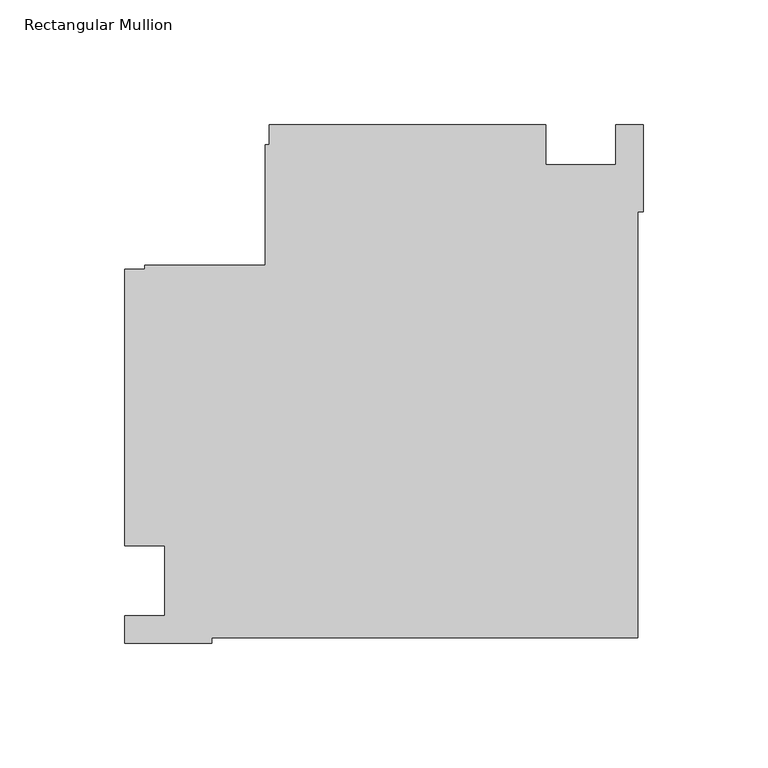
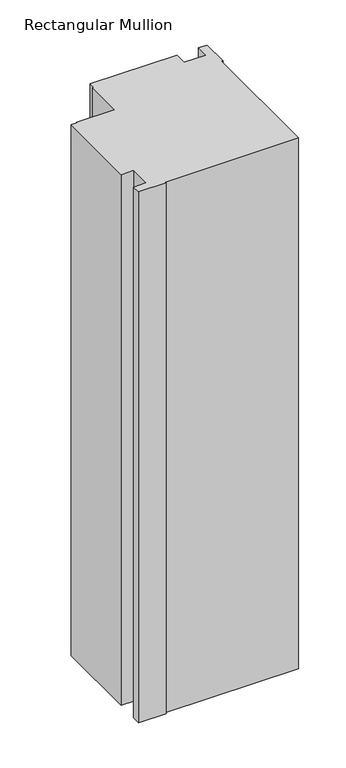
"""IFC4 building model written with IfcOpenShell, lengths in millimetres: member geometry, Rectangular Mullion."""

from ifc_helpers import new_model, si_unit, frame, origin, place, context, project, spatial, polyline, outline, extrude, source, transform, mapped, element, save


def rectangular_mullion_2a543f83(model_context):
    return source(origin(), model_context, "Body", "SweptSolid", [
        extrude(outline(polyline([(-38.9998882, 182.9914777), (-38.9998882, 166.9914777), (-10.996264, 166.9914777), (-10.996264, 183.0000001), (0.0, 183.0000001), (0.0, 147.9999738), (-2.0852141, 147.9999738), (-2.0852141, -22.9147834), (-172.9999713, -22.9147834), (-172.9999713, -25.0), (-207.9999976, -25.0), (-207.9999976, -13.9997041), (-191.9999976, -13.9997041), (-191.9999976, 13.9998907), (-207.9999976, 13.9998907), (-207.9999976, 125.0000025), (-200.0, 125.0000025), (-200.0, 126.6000025), (-151.6, 126.6000025), (-151.6, 175.0000025), (-150.0, 175.0000025), (-150.0, 182.9914777), (-38.9998882, 182.9914777)])), frame((0.0, 0.0, -718.958673), z_axis=(0.0, 0.0, 1.0), x_axis=(1.0, 0.0, 0.0)), (0.0, 0.0, 1.0), 718.958673),
    ])


if __name__ == "__main__":
    model = new_model("IFC4")
    model_context = context("Model", 3, world=origin())
    ifc_project = project(units=[si_unit("LENGTHUNIT", "METRE", prefix="MILLI")], contexts=[model_context])
    site = spatial("IfcSite", under=ifc_project)
    building = spatial("IfcBuilding", under=site)
    placement = place(None, origin())
    rectangular_mullion_shape = rectangular_mullion_2a543f83(model_context)
    element("IfcMember", 1, ObjectType="Rectangular Mullion", at=placement, inside=building, context=model_context, shape_type="MappedRepresentation", body=[
        mapped(rectangular_mullion_shape, transform((0.0, 0.0, 0.0), x_axis=(1.0, 0.0, 0.0), y_axis=(0.0, 1.0, 0.0), z_axis=(0.0, 0.0, 1.0))),
    ])
    save(model, "model.ifc")
